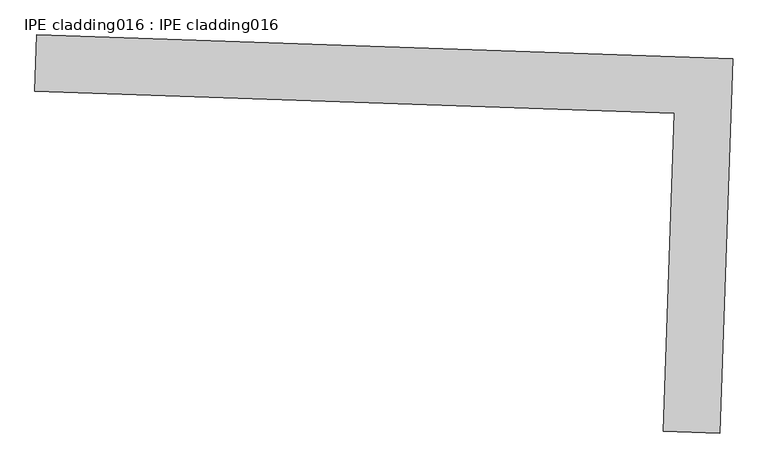
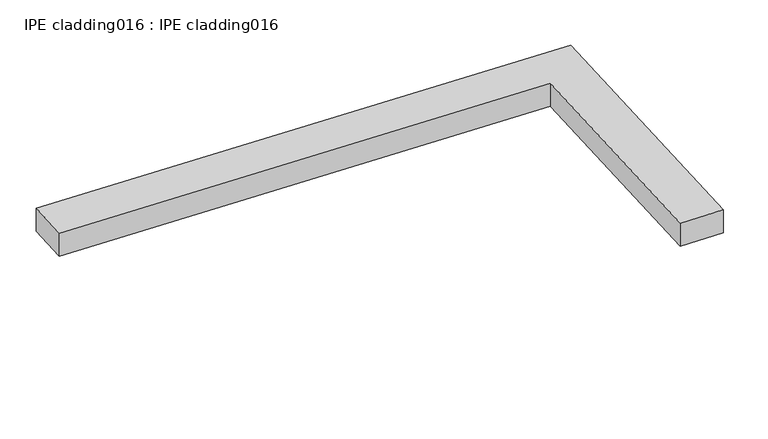
"""IFC4 building model written with IfcOpenShell, lengths in millimetres: proxy geometry, IPE cladding016 : IPE cladding016."""

from ifc_helpers import new_model, si_unit, frame, origin, place, context, project, spatial, polyline, outline, extrude, source, transform, mapped, element, save


def ipe_cladding016_ipe_cladding016_72b61374(model_context):
    return source(origin(), model_context, "Body", "SweptSolid", [
        extrude(outline(polyline([(17306.5036744, -14579.735897), (17309.5442113, -14490.8879081), (18404.9713729, -14528.3753807), (18384.8189497, -15117.2524193), (18295.9709606, -15114.2118826), (18313.0828473, -14614.1828327), (17306.5036744, -14579.735897)])), frame((0.0, 0.0, 1242.375707), z_axis=(0.0, 0.0, 1.0), x_axis=(1.0, 0.0, 0.0)), (0.0, 0.0, 1.0), 50.8),
    ])


if __name__ == "__main__":
    model = new_model("IFC4")
    model_context = context("Model", 3, world=origin())
    ifc_project = project(units=[si_unit("LENGTHUNIT", "METRE", prefix="MILLI")], contexts=[model_context])
    site = spatial("IfcSite", under=ifc_project)
    building = spatial("IfcBuilding", under=site)
    placement = place(None, origin())
    ipe_cladding016_ipe_cladding016_shape = ipe_cladding016_ipe_cladding016_72b61374(model_context)
    element("IfcBuildingElementProxy", 1, Name="IPE cladding016 : IPE cladding016", ObjectType="IPE cladding016 : IPE cladding016", at=placement, inside=building, context=model_context, shape_type="MappedRepresentation", body=[
        mapped(ipe_cladding016_ipe_cladding016_shape, transform((0.0, 0.0, 0.0), x_axis=(1.0, 0.0, 0.0), y_axis=(0.0, 1.0, 0.0), z_axis=(0.0, 0.0, 1.0))),
    ])
    save(model, "model.ifc")
